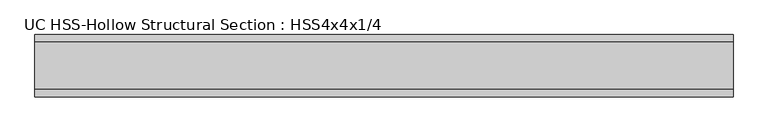
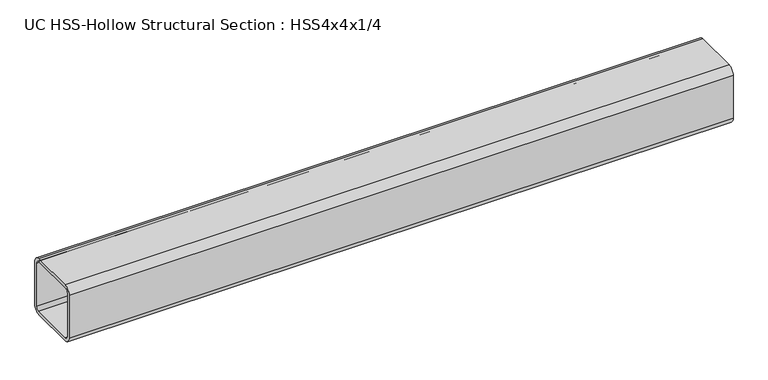
"""IFC4 building model written with IfcOpenShell, lengths in millimetres: beam geometry, UC HSS-Hollow Structural Section : HSS4x4x1/4."""

from ifc_helpers import new_model, si_unit, point, frame, frame_2d, origin, place, context, project, spatial, polyline, circle_curve, trimmed, segment, composite_curve, outline, extrude, source, transform, mapped, element, save


def uc_hss_hollow_structural_section_hss4x4x1_4_a74d8680(model_context):
    return source(origin(), model_context, "Body", "SweptSolid", [
        extrude(outline(composite_curve([segment(trimmed(circle_curve(frame_2d((-38.9636, 38.9636)), 11.8364), [point((-50.8, 38.9636))], [point((-38.9636, 50.8))], False, "CARTESIAN"), True, "CONTINUOUS"), segment(polyline([(-38.9636, 50.8), (38.9636, 50.8)]), True, "CONTINUOUS"), segment(trimmed(circle_curve(frame_2d((38.9636, 38.9636)), 11.8364), [point((38.9636, 50.8))], [point((50.8, 38.9636))], False, "CARTESIAN"), True, "CONTINUOUS"), segment(polyline([(50.8, 38.9636), (50.8, -38.9636)]), True, "CONTINUOUS"), segment(trimmed(circle_curve(frame_2d((38.9636, -38.9636)), 11.8364), [point((50.8, -38.9636))], [point((38.9636, -50.8))], False, "CARTESIAN"), True, "CONTINUOUS"), segment(polyline([(38.9636, -50.8), (-38.9636, -50.8)]), True, "CONTINUOUS"), segment(trimmed(circle_curve(frame_2d((-38.9636, -38.9636)), 11.8364), [point((-38.9636, -50.8))], [point((-50.8, -38.9636))], False, "CARTESIAN"), True, "CONTINUOUS"), segment(polyline([(-50.8, -38.9636), (-50.8, 38.9636)]), True, "CONTINUOUS")], self_intersect=False), holes=[composite_curve([segment(polyline([(38.9636, 44.8818), (-38.9636, 44.8818)]), True, "CONTINUOUS"), segment(trimmed(circle_curve(frame_2d((-38.9636, 38.9636)), 5.9182), [point((-38.9636, 44.8818))], [point((-44.8818, 38.9636))], True, "CARTESIAN"), True, "CONTINUOUS"), segment(polyline([(-44.8818, 38.9636), (-44.8818, -38.9636)]), True, "CONTINUOUS"), segment(trimmed(circle_curve(frame_2d((-38.9636, -38.9636)), 5.9182), [point((-44.8818, -38.9636))], [point((-38.9636, -44.8818))], True, "CARTESIAN"), True, "CONTINUOUS"), segment(polyline([(-38.9636, -44.8818), (38.9636, -44.8818)]), True, "CONTINUOUS"), segment(trimmed(circle_curve(frame_2d((38.9636, -38.9636)), 5.9182), [point((38.9636, -44.8818))], [point((44.8818, -38.9636))], True, "CARTESIAN"), True, "CONTINUOUS"), segment(polyline([(44.8818, -38.9636), (44.8818, 38.9636)]), True, "CONTINUOUS"), segment(trimmed(circle_curve(frame_2d((38.9636, 38.9636)), 5.9182), [point((44.8818, 38.9636))], [point((38.9636, 44.8818))], True, "CARTESIAN"), True, "CONTINUOUS")], self_intersect=False)]), frame((-518.0709173, 0.0, 0.0), z_axis=(1.0, 0.0, 0.0), x_axis=(0.0, 1.0, 0.0)), (0.0, 0.0, 1.0), 1139.2666558),
    ])


if __name__ == "__main__":
    model = new_model("IFC4")
    model_context = context("Model", 3, world=origin())
    ifc_project = project(units=[si_unit("LENGTHUNIT", "METRE", prefix="MILLI")], contexts=[model_context])
    site = spatial("IfcSite", under=ifc_project)
    building = spatial("IfcBuilding", under=site)
    placement = place(None, origin())
    uc_hss_hollow_structural_section_hss4x4x1_4_shape = uc_hss_hollow_structural_section_hss4x4x1_4_a74d8680(model_context)
    element("IfcBeam", 1, ObjectType="UC HSS-Hollow Structural Section : HSS4x4x1/4", at=placement, inside=building, context=model_context, shape_type="MappedRepresentation", body=[
        mapped(uc_hss_hollow_structural_section_hss4x4x1_4_shape, transform((0.0, 0.0, 0.0), x_axis=(1.0, 0.0, 0.0), y_axis=(0.0, 1.0, 0.0), z_axis=(0.0, 0.0, 1.0))),
    ])
    save(model, "model.ifc")
